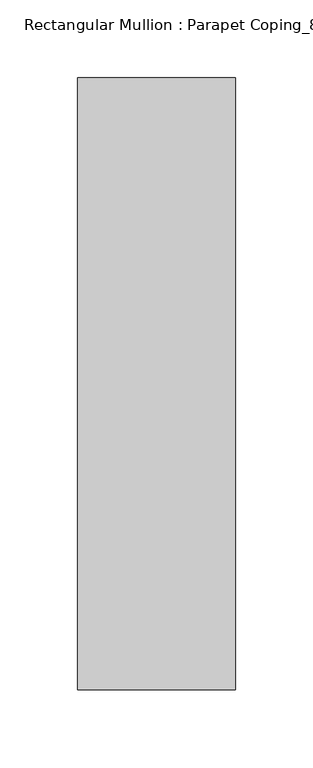
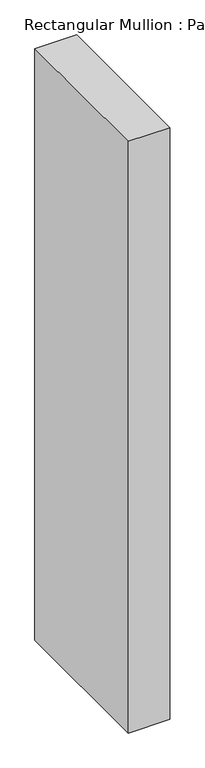
"""IFC4 building model written with IfcOpenShell, lengths in millimetres: member geometry, Rectangular Mullion : Parapet Coping_8 in."""

import ifcopenshell
import ifcopenshell.guid

model = None  # the IFC model being written
_history = None  # IfcOwnerHistory: only IFC2X3 demands one
_inside = {}  # id of a spatial element -> (the spatial element, [elements in it])
_under = {}  # id of a project, library or spatial element -> (it, [spatial elements below it])
_declared = {}  # id of a project -> (the project, [libraries it declares])
_typed = {}  # id of a type object -> (the type object, [elements of that type])
_made_of = {}  # id of a material, layer set ... -> (it, [elements and type objects made of it])


def new_model(schema):
    """Start an empty IFC model of exactly this schema.

    Asked for "IFC4X3", IfcOpenShell would pick the latest addendum, in which some entities
    have other attributes; the version numbers below select the first issue.
    IFC2X3 requires an IfcOwnerHistory on every rooted entity: one is made here for all.
    """
    global model, _history
    if schema == "IFC4X3":
        model = ifcopenshell.file(schema_version=(4, 3, 0, 0))
    else:
        model = ifcopenshell.file(schema=schema)
    _inside.clear()
    _under.clear()
    _declared.clear()
    _typed.clear()
    _made_of.clear()
    _history = None
    if model.schema == "IFC2X3":
        org = make("IfcOrganization", Name="unknown")
        user = make(
            "IfcPersonAndOrganization",
            ThePerson=make("IfcPerson", FamilyName="unknown"),
            TheOrganization=org,
        )
        app = make(
            "IfcApplication",
            ApplicationDeveloper=org,
            Version="unknown",
            ApplicationFullName="unknown",
            ApplicationIdentifier="unknown",
        )
        _history = make(
            "IfcOwnerHistory",
            OwningUser=user,
            OwningApplication=app,
            ChangeAction="ADDED",
            CreationDate=0,
        )
    return model


def make(cls, **values):
    """One entity of the class cls with the attributes given. An attribute that is None is left unset."""
    return model.create_entity(
        cls, **{name: value for name, value in values.items() if value is not None}
    )


def rooted(cls, **values):
    """An entity with a GlobalId (a new one), such as an element, a storey or a relation."""
    return make(cls, GlobalId=ifcopenshell.guid.new(), OwnerHistory=_history, **values)


def si_unit(unit_type, name, prefix=None):
    """IfcSIUnit, for example si_unit("LENGTHUNIT", "METRE", prefix="MILLI")."""
    return make("IfcSIUnit", UnitType=unit_type, Prefix=prefix, Name=name)


def assignment(units):
    """IfcUnitAssignment: the units of a project."""
    return None if units is None else make("IfcUnitAssignment", Units=units)


def point(xyz):
    """IfcCartesianPoint."""
    return None if xyz is None else make("IfcCartesianPoint", Coordinates=xyz)


def direction(xyz):
    """IfcDirection."""
    return None if xyz is None else make("IfcDirection", DirectionRatios=xyz)


def frame(location, z_axis=None, x_axis=None):
    """IfcAxis2Placement3D, a coordinate frame: its origin and axes. An axis left out is left unset."""
    return make(
        "IfcAxis2Placement3D",
        Location=point(location),
        Axis=direction(z_axis),
        RefDirection=direction(x_axis),
    )


def origin():
    """The frame at (0, 0, 0) with its axes left unset."""
    return frame((0.0, 0.0, 0.0))


def place(relative_to, where):
    """IfcLocalPlacement: puts the frame where relative to a parent placement (None: the world)."""
    return make(
        "IfcLocalPlacement", PlacementRelTo=relative_to, RelativePlacement=where
    )


def context(
    kind, dimensions, precision=None, world=None, true_north=None, identifier=None
):
    """IfcGeometricRepresentationContext, for example the 3D "Model" context."""
    return make(
        "IfcGeometricRepresentationContext",
        ContextIdentifier=identifier,
        ContextType=kind,
        CoordinateSpaceDimension=dimensions,
        Precision=precision,
        WorldCoordinateSystem=world,
        TrueNorth=true_north,
    )


def project(units=None, contexts=None):
    """IfcProject with its units and contexts."""
    return rooted(
        "IfcProject",
        Name="project",
        RepresentationContexts=contexts,
        UnitsInContext=assignment(units),
    )


def spatial(cls, under=None, at=None, **own):
    """A site, building, storey or space (cls), placed at a placement, below another one or the project."""
    s = rooted(cls, ObjectPlacement=at, **own)
    if under is not None:
        _under.setdefault(under.id(), (under, []))[1].append(s)
    return s


def polyline(points):
    """IfcPolyline through the points."""
    return make("IfcPolyline", Points=[point(p) for p in points])


def outline(outer, holes=None, kind="AREA"):
    """IfcArbitraryClosedProfileDef: a profile drawn as a closed curve; with holes, ...WithVoids."""
    if holes is None:
        return make("IfcArbitraryClosedProfileDef", ProfileType=kind, OuterCurve=outer)
    return make(
        "IfcArbitraryProfileDefWithVoids",
        ProfileType=kind,
        OuterCurve=outer,
        InnerCurves=holes,
    )


def extrude(swept, where, along, depth):
    """IfcExtrudedAreaSolid: the profile swept, set in the frame where, extruded along a direction by depth."""
    return make(
        "IfcExtrudedAreaSolid",
        SweptArea=swept,
        Position=where,
        ExtrudedDirection=direction(along),
        Depth=depth,
    )


def shape(context_of_items, identifier, shape_type, items):
    """IfcShapeRepresentation: the items that make up one representation, for example the "Body"."""
    return make(
        "IfcShapeRepresentation",
        ContextOfItems=context_of_items,
        RepresentationIdentifier=identifier,
        RepresentationType=shape_type,
        Items=items,
    )


def source(mapping_origin, context_of_items, identifier, shape_type, items):
    """IfcRepresentationMap: a shape defined once, which mapped items show again and again."""
    return make(
        "IfcRepresentationMap",
        MappingOrigin=mapping_origin,
        MappedRepresentation=shape(context_of_items, identifier, shape_type, items),
    )


def transform(
    local_origin,
    x_axis=None,
    y_axis=None,
    z_axis=None,
    scale=None,
    scale2=None,
    scale3=None,
    uniform=True,
):
    """IfcCartesianTransformationOperator3D, or its non-uniform kind. x_axis, y_axis, z_axis: its Axis1, 2, 3."""
    if uniform:
        return make(
            "IfcCartesianTransformationOperator3D",
            Axis1=direction(x_axis),
            Axis2=direction(y_axis),
            LocalOrigin=point(local_origin),
            Scale=scale,
            Axis3=direction(z_axis),
        )
    return make(
        "IfcCartesianTransformationOperator3DnonUniform",
        Axis1=direction(x_axis),
        Axis2=direction(y_axis),
        LocalOrigin=point(local_origin),
        Scale=scale,
        Axis3=direction(z_axis),
        Scale2=scale2,
        Scale3=scale3,
    )


def mapped(mapping_source, mapping_target):
    """IfcMappedItem: shows the shape of a source again, moved by a transform."""
    return make(
        "IfcMappedItem", MappingSource=mapping_source, MappingTarget=mapping_target
    )


def made_of(thing, what):
    """Note that an element or type object is made of a material, layer set ...; save() writes the relation."""
    if what is not None:
        _made_of.setdefault(what.id(), (what, []))[1].append(thing)
    return thing


def element(
    cls,
    number,
    at=None,
    inside=None,
    cuts=None,
    type_object=None,
    material=None,
    context=None,
    identifier="Body",
    shape_type=None,
    held_by="IfcProductDefinitionShape",
    body=None,
    shapes=None,
    **own,
):
    """One element of the class cls, such as IfcWall. Its Tag is "e" and its number.

    at: its placement. inside: the storey or other place that contains it. cuts: it is an
    opening in that element (IfcRelVoidsElement). A single representation is given by context,
    identifier, shape_type and body (its items); several are given by shapes. held_by: the class
    of the entity that holds the representations. save() writes the other relations.
    """
    e = rooted(cls, Tag="e%d" % number, ObjectPlacement=at, **own)
    if body is not None:
        shapes = [shape(context, identifier, shape_type, body)]
    if shapes is not None:
        e.Representation = make(held_by, Representations=shapes)
    if inside is not None:
        _inside.setdefault(inside.id(), (inside, []))[1].append(e)
    if cuts is not None:
        rooted(
            "IfcRelVoidsElement", RelatingBuildingElement=cuts, RelatedOpeningElement=e
        )
    if type_object is not None:
        _typed.setdefault(type_object.id(), (type_object, []))[1].append(e)
    return made_of(e, material)


def aggregate(whole, parts):
    """IfcRelAggregates: a whole, such as a stair, and the parts it consists of."""
    return rooted("IfcRelAggregates", RelatingObject=whole, RelatedObjects=parts)


def save(model, path):
    """Write the relations noted so far, then the file.

    IfcRelAggregates (storeys below a building ...), IfcRelContainedInSpatialStructure (elements
    in a storey), IfcRelDefinesByType, IfcRelAssociatesMaterial and IfcRelDeclares: one each for
    every whole, place, type object, material and project.
    """
    for whole, parts in _under.values():
        aggregate(whole, parts)
    for where, things in _inside.values():
        rooted(
            "IfcRelContainedInSpatialStructure",
            RelatedElements=things,
            RelatingStructure=where,
        )
    for kind, things in _typed.values():
        rooted("IfcRelDefinesByType", RelatedObjects=things, RelatingType=kind)
    for what, things in _made_of.values():
        rooted("IfcRelAssociatesMaterial", RelatedObjects=things, RelatingMaterial=what)
    for by, libraries in _declared.values():
        rooted("IfcRelDeclares", RelatingContext=by, RelatedDefinitions=libraries)
    model.write(path)


def rectangular_mullion_parapet_coping_8_in_85e4f691(model_context):
    return source(origin(), model_context, "Body", "SweptSolid", [
        extrude(outline(polyline([(-101.6, -190.5), (-101.6, 203.2), (0.0, 203.2), (0.0, -190.5), (-101.6, -190.5)])), frame((0.0, 0.0, -1524.0), z_axis=(0.0, 0.0, 1.0), x_axis=(1.0, 0.0, 0.0)), (0.0, 0.0, 1.0), 1524.0),
    ])


if __name__ == "__main__":
    model = new_model("IFC4")
    model_context = context("Model", 3, world=origin())
    ifc_project = project(units=[si_unit("LENGTHUNIT", "METRE", prefix="MILLI")], contexts=[model_context])
    site = spatial("IfcSite", under=ifc_project)
    building = spatial("IfcBuilding", under=site)
    placement = place(None, origin())
    rectangular_mullion_parapet_coping_8_in_shape = rectangular_mullion_parapet_coping_8_in_85e4f691(model_context)
    element("IfcMember", 1, ObjectType="Rectangular Mullion : Parapet Coping_8 in", at=placement, inside=building, context=model_context, shape_type="MappedRepresentation", body=[
        mapped(rectangular_mullion_parapet_coping_8_in_shape, transform((0.0, 0.0, 0.0), x_axis=(1.0, 0.0, 0.0), y_axis=(0.0, 1.0, 0.0), z_axis=(0.0, 0.0, 1.0))),
    ])
    save(model, "model.ifc")
